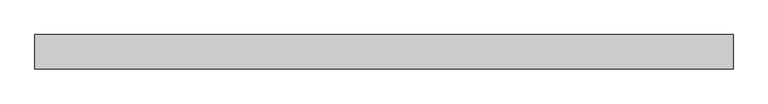
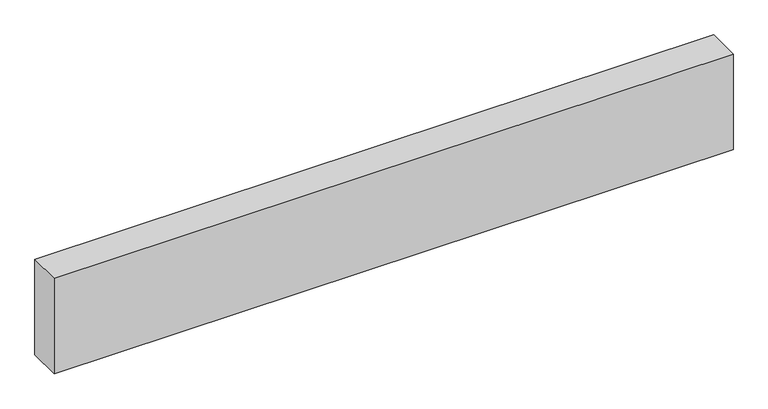
"""IFC4 building model written with IfcOpenShell, lengths in millimetres: proxy geometry."""

from ifc_helpers import new_model, si_unit, origin, origin_with_axes, place, context, project, spatial, polyline, outline, extrude, source, transform, mapped, element, save


def generic_models_f0c2c884(model_context):
    return source(origin(), model_context, "Body", "SweptSolid", [
        extrude(outline(polyline([(2020.617041, 0.0), (2020.617041, -100.0), (0.0, -100.0), (0.0, 0.0), (2020.617041, 0.0)])), origin_with_axes(), (0.0, 0.0, 1.0), 300.0),
    ])


if __name__ == "__main__":
    model = new_model("IFC4")
    model_context = context("Model", 3, world=origin())
    ifc_project = project(units=[si_unit("LENGTHUNIT", "METRE", prefix="MILLI")], contexts=[model_context])
    site = spatial("IfcSite", under=ifc_project)
    building = spatial("IfcBuilding", under=site)
    placement = place(None, origin())
    generic_models_shape = generic_models_f0c2c884(model_context)
    element("IfcBuildingElementProxy", 1, Name="Generic Models", at=placement, inside=building, context=model_context, shape_type="MappedRepresentation", body=[
        mapped(generic_models_shape, transform((0.0, 0.0, 0.0), x_axis=(1.0, 0.0, 0.0), y_axis=(0.0, 1.0, 0.0), z_axis=(0.0, 0.0, 1.0))),
    ])
    save(model, "model.ifc")
